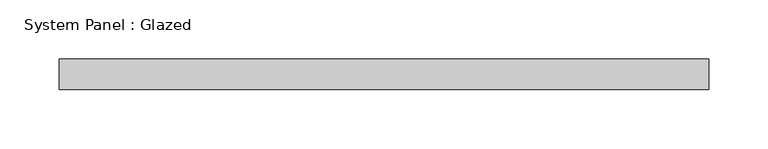
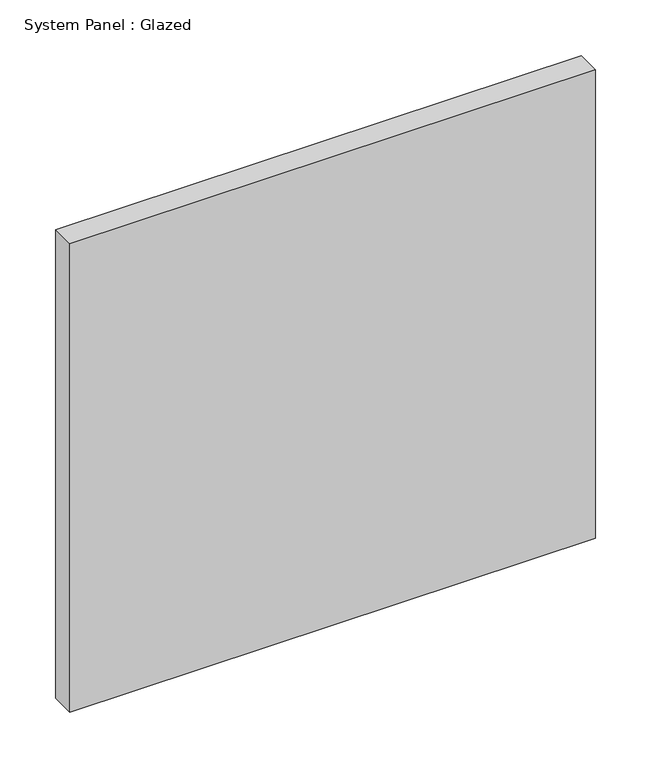
"""IFC4 building model written with IfcOpenShell, lengths in millimetres: plate geometry, System Panel : Glazed."""

from ifc_helpers import new_model, si_unit, origin, origin_with_axes, place, context, project, spatial, polyline, outline, extrude, source, transform, mapped, element, save


def system_panel_glazed_8e5c0a96(model_context):
    return source(origin(), model_context, "Body", "SweptSolid", [
        extrude(outline(polyline([(273.05, -44.45), (-273.05, -44.45), (-273.05, -19.05), (273.05, -19.05), (273.05, -44.45)])), origin_with_axes(), (0.0, 0.0, 1.0), 514.35),
    ])


if __name__ == "__main__":
    model = new_model("IFC4")
    model_context = context("Model", 3, world=origin())
    ifc_project = project(units=[si_unit("LENGTHUNIT", "METRE", prefix="MILLI")], contexts=[model_context])
    site = spatial("IfcSite", under=ifc_project)
    building = spatial("IfcBuilding", under=site)
    placement = place(None, origin())
    system_panel_glazed_shape = system_panel_glazed_8e5c0a96(model_context)
    element("IfcPlate", 1, ObjectType="System Panel : Glazed", at=placement, inside=building, context=model_context, shape_type="MappedRepresentation", body=[
        mapped(system_panel_glazed_shape, transform((0.0, 0.0, 0.0), x_axis=(1.0, 0.0, 0.0), y_axis=(0.0, 1.0, 0.0), z_axis=(0.0, 0.0, 1.0))),
    ])
    save(model, "model.ifc")
